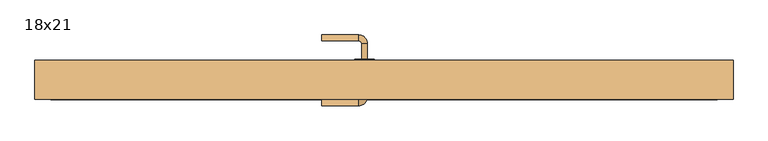
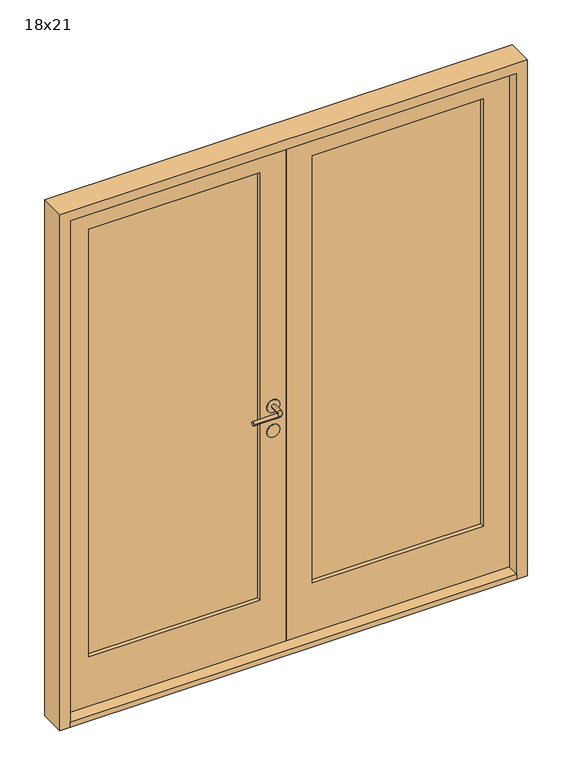
"""IFC4 building model written with IfcOpenShell, lengths in millimetres: door geometry, 18x21."""

from ifc_helpers import new_model, si_unit, point, frame, frame_2d, origin, place, context, project, spatial, polyline, circle_curve, ellipse_curve, trimmed, segment, composite_curve, outline, extrude, source, transform, mapped, element, save
from ifc_brep_helpers import plane_surface, cylinder_surface, revolved_surface, advanced_brep


def door_18x21_deda58a5(model_context):
    return source(origin(), model_context, "Body", "SolidModel", [
        extrude(outline(polyline([(30.0, 855.0), (2060.0, 855.0), (2060.0, 0.0), (30.0, 0.0), (30.0, 855.0)]), holes=[polyline([(230.0, 100.0), (1960.0, 100.0), (1960.0, 755.0), (230.0, 755.0), (230.0, 100.0)])]), frame((0.0, 4.5, 0.0), z_axis=(0.0, 1.0, 0.0), x_axis=(0.0, 0.0, 1.0)), (0.0, 0.0, 1.0), 50.0),
        extrude(outline(polyline([(855.0, 37.8333333), (855.0, 21.1666667), (100.0, 21.1666667), (100.0, 37.8333333), (855.0, 37.8333333)])), frame((0.0, 0.0, 230.0), z_axis=(0.0, 0.0, 1.0), x_axis=(1.0, 0.0, 0.0)), (0.0, 0.0, 1.0), 1730.0),
        extrude(outline(polyline([(-755.0, 37.8333333), (-100.0, 37.8333333), (-100.0, 21.1666667), (-755.0, 21.1666667), (-755.0, 37.8333333)])), frame((0.0, 0.0, 230.0), z_axis=(0.0, 0.0, 1.0), x_axis=(1.0, 0.0, 0.0)), (0.0, 0.0, 1.0), 1730.0),
        extrude(outline(polyline([(2060.0, -855.0), (30.0, -855.0), (30.0, 0.0), (2060.0, 0.0), (2060.0, -855.0)]), holes=[polyline([(1960.0, -100.0), (230.0, -100.0), (230.0, -755.0), (1960.0, -755.0), (1960.0, -100.0)])]), frame((0.0, 4.5, 0.0), z_axis=(0.0, 1.0, 0.0), x_axis=(0.0, 0.0, 1.0)), (0.0, 0.0, 1.0), 50.0),
        advanced_brep(
        [(-57.5, 1.5, 1000.0), (-42.5, 1.5, 1000.0), (-57.5, -38.5, 1000.0), (-42.5, -38.5, 1000.0), (-65.0, -61.0, 1000.0), (-65.0, -46.0, 1000.0), (-160.0, -46.0, 1000.0), (-160.0, -61.0, 1000.0)],
        [
            (0, 1, circle_curve(frame((-50.0, 1.5, 1000.0), z_axis=(0.0, 1.0, 0.0), x_axis=(1.0, 0.0, 0.0)), 7.5)),
            (1, 0, circle_curve(frame((-50.0, 1.5, 1000.0), z_axis=(0.0, 1.0, 0.0), x_axis=(1.0, 0.0, 0.0)), 7.5)),
            (0, 2),
            (2, 3, circle_curve(frame((-50.0, -38.5, 1000.0), z_axis=(0.0, 1.0, 0.0), x_axis=(1.0, 0.0, 0.0)), 7.5)),
            (3, 1),
            (3, 2, circle_curve(frame((-50.0, -38.5, 1000.0), z_axis=(0.0, 1.0, 0.0), x_axis=(1.0, 0.0, 0.0)), 7.5)),
            (4, 3, circle_curve(frame((-65.0, -38.5, 1000.0), z_axis=(0.0, 0.0, 1.0), x_axis=(1.0, 0.0, 0.0)), 22.5)),
            (2, 5, circle_curve(frame((-65.0, -38.5, 1000.0), z_axis=(0.0, 0.0, -1.0), x_axis=(1.0, 0.0, 0.0)), 7.5)),
            (5, 4, circle_curve(frame((-65.0, -53.5, 1000.0), z_axis=(1.0, 0.0, 0.0), x_axis=(0.0, -1.0, 0.0)), 7.5)),
            (4, 5, circle_curve(frame((-65.0, -53.5, 1000.0), z_axis=(1.0, 0.0, 0.0), x_axis=(0.0, -1.0, 0.0)), 7.5)),
            (6, 7, circle_curve(frame((-160.0, -53.5, 1000.0), z_axis=(-1.0, 0.0, 0.0), x_axis=(0.0, -1.0, 0.0)), 7.5)),
            (7, 6, circle_curve(frame((-160.0, -53.5, 1000.0), z_axis=(-1.0, 0.0, 0.0), x_axis=(0.0, -1.0, 0.0)), 7.5)),
            (5, 6),
            (7, 4),
        ],
        [
            plane_surface(frame((-50.0, 1.5, 1000.0), z_axis=(0.0, 1.0, 0.0), x_axis=(0.0, 0.0, 1.0))),
            cylinder_surface(frame((-50.0, 1.5, 1000.0), z_axis=(0.0, 1.0, 0.0), x_axis=(1.0, 0.0, 0.0)), 7.5),
            revolved_surface(trimmed(ellipse_curve(frame((-50.0, -38.5, 1000.0), z_axis=(0.0, 1.0, 0.0), x_axis=(1.0, 0.0, 0.0)), 7.5, 7.5), [point((-57.5, -38.5, 1000.0))], [point((-42.5, -38.5, 1000.0))], True, "CARTESIAN"), (-65.0, -38.5, 1000.0), (0.0, 0.0, -1.0)),
            revolved_surface(trimmed(ellipse_curve(frame((-50.0, -38.5, 1000.0), z_axis=(0.0, 1.0, 0.0), x_axis=(1.0, 0.0, 0.0)), 7.5, 7.5), [point((-42.5, -38.5, 1000.0))], [point((-57.5, -38.5, 1000.0))], True, "CARTESIAN"), (-65.0, -38.5, 1000.0), (0.0, 0.0, -1.0)),
            plane_surface(frame((-160.0, -53.5, 1000.0), z_axis=(-1.0, 0.0, 0.0), x_axis=(0.0, 0.0, 1.0))),
            cylinder_surface(frame((-65.0, -53.5, 1000.0), z_axis=(1.0, 0.0, 0.0), x_axis=(0.0, -1.0, 0.0)), 7.5),
        ],
        [
            (0, [[1, 2]]),
            (1, [[-1, 3, 4, 5]]),
            (1, [[-2, -5, 6, -3]]),
            (2, [[7, -4, 8, 9]]),
            (3, [[-8, -6, -7, 10]]),
            (4, [[11, 12]]),
            (5, [[-9, 13, -12, 14]]),
            (5, [[-10, -14, -11, -13]]),
        ],
    ),
        advanced_brep(
        [(-42.5, 57.5, 1000.0), (-57.5, 57.5, 1000.0), (-42.5, 97.5, 1000.0), (-57.5, 97.5, 1000.0), (-65.0, 105.0, 1000.0), (-65.0, 120.0, 1000.0), (-160.0, 120.0, 1000.0), (-160.0, 105.0, 1000.0)],
        [
            (0, 1, circle_curve(frame((-50.0, 57.5, 1000.0), z_axis=(0.0, -1.0, 0.0), x_axis=(-1.0, 0.0, 0.0)), 7.5)),
            (1, 0, circle_curve(frame((-50.0, 57.5, 1000.0), z_axis=(0.0, -1.0, 0.0), x_axis=(-1.0, 0.0, 0.0)), 7.5)),
            (0, 2),
            (2, 3, circle_curve(frame((-50.0, 97.5, 1000.0), z_axis=(0.0, -1.0, 0.0), x_axis=(-1.0, 0.0, 0.0)), 7.5)),
            (3, 1),
            (3, 2, circle_curve(frame((-50.0, 97.5, 1000.0), z_axis=(0.0, -1.0, 0.0), x_axis=(-1.0, 0.0, 0.0)), 7.5)),
            (4, 3, circle_curve(frame((-65.0, 97.5, 1000.0), z_axis=(0.0, 0.0, -1.0), x_axis=(1.0, 0.0, 0.0)), 7.5)),
            (2, 5, circle_curve(frame((-65.0, 97.5, 1000.0), z_axis=(0.0, 0.0, 1.0), x_axis=(1.0, 0.0, 0.0)), 22.5)),
            (5, 4, circle_curve(frame((-65.0, 112.5, 1000.0), z_axis=(1.0, 0.0, 0.0), x_axis=(0.0, -1.0, 0.0)), 7.5)),
            (4, 5, circle_curve(frame((-65.0, 112.5, 1000.0), z_axis=(1.0, 0.0, 0.0), x_axis=(0.0, -1.0, 0.0)), 7.5)),
            (6, 7, circle_curve(frame((-160.0, 112.5, 1000.0), z_axis=(-1.0, 0.0, 0.0), x_axis=(0.0, -1.0, 0.0)), 7.5)),
            (7, 6, circle_curve(frame((-160.0, 112.5, 1000.0), z_axis=(-1.0, 0.0, 0.0), x_axis=(0.0, -1.0, 0.0)), 7.5)),
            (5, 6),
            (7, 4),
        ],
        [
            plane_surface(frame((-50.0, 57.5, 1000.0), z_axis=(0.0, -1.0, 0.0), x_axis=(0.0, 0.0, 1.0))),
            cylinder_surface(frame((-50.0, 57.5, 1000.0), z_axis=(0.0, -1.0, 0.0), x_axis=(-1.0, 0.0, 0.0)), 7.5),
            revolved_surface(trimmed(ellipse_curve(frame((-50.0, 97.5, 1000.0), z_axis=(0.0, -1.0, 0.0), x_axis=(-1.0, 0.0, 0.0)), 7.5, 7.5), [point((-42.5, 97.5, 1000.0))], [point((-57.5, 97.5, 1000.0))], True, "CARTESIAN"), (-65.0, 97.5, 1000.0), (0.0, 0.0, 1.0)),
            revolved_surface(trimmed(ellipse_curve(frame((-50.0, 97.5, 1000.0), z_axis=(0.0, -1.0, 0.0), x_axis=(-1.0, 0.0, 0.0)), 7.5, 7.5), [point((-57.5, 97.5, 1000.0))], [point((-42.5, 97.5, 1000.0))], True, "CARTESIAN"), (-65.0, 97.5, 1000.0), (0.0, 0.0, 1.0)),
            plane_surface(frame((-160.0, 112.5, 1000.0), z_axis=(-1.0, 0.0, 0.0), x_axis=(0.0, 0.0, 1.0))),
            cylinder_surface(frame((-65.0, 112.5, 1000.0), z_axis=(1.0, 0.0, 0.0), x_axis=(0.0, -1.0, 0.0)), 7.5),
        ],
        [
            (0, [[1, 2]]),
            (1, [[-1, 3, 4, 5]]),
            (1, [[-2, -5, 6, -3]]),
            (2, [[7, -4, 8, 9]]),
            (3, [[-8, -6, -7, 10]]),
            (4, [[11, 12]]),
            (5, [[-9, 13, -12, 14]]),
            (5, [[-10, -14, -11, -13]]),
        ],
    ),
        extrude(outline(composite_curve([segment(trimmed(circle_curve(frame_2d((900.0, -50.029073)), 25.0), [point((900.0, -75.029073))], [point((900.0, -25.029073))], False, "CARTESIAN"), True, "CONTINUOUS"), segment(trimmed(circle_curve(frame_2d((900.0, -50.029073)), 25.0), [point((900.0, -25.029073))], [point((900.0, -75.029073))], False, "CARTESIAN"), True, "CONTINUOUS")], self_intersect=False)), frame((0.0, 1.5, 0.0), z_axis=(0.0, 1.0, 0.0), x_axis=(0.0, 0.0, 1.0)), (0.0, 0.0, 1.0), 3.0),
        extrude(outline(composite_curve([segment(trimmed(circle_curve(frame_2d((1000.0, -50.029073)), 25.0), [point((1000.0, -75.029073))], [point((1000.0, -25.029073))], False, "CARTESIAN"), True, "CONTINUOUS"), segment(trimmed(circle_curve(frame_2d((1000.0, -50.029073)), 25.0), [point((1000.0, -25.029073))], [point((1000.0, -75.029073))], False, "CARTESIAN"), True, "CONTINUOUS")], self_intersect=False)), frame((0.0, 1.5, 0.0), z_axis=(0.0, 1.0, 0.0), x_axis=(0.0, 0.0, 1.0)), (0.0, 0.0, 1.0), 3.0),
        extrude(outline(composite_curve([segment(trimmed(circle_curve(frame_2d((900.0, -50.029073)), 25.0), [point((900.0, -75.029073))], [point((900.0, -25.029073))], False, "CARTESIAN"), True, "CONTINUOUS"), segment(trimmed(circle_curve(frame_2d((900.0, -50.029073)), 25.0), [point((900.0, -25.029073))], [point((900.0, -75.029073))], False, "CARTESIAN"), True, "CONTINUOUS")], self_intersect=False)), frame((0.0, 54.5, 0.0), z_axis=(0.0, 1.0, 0.0), x_axis=(0.0, 0.0, 1.0)), (0.0, 0.0, 1.0), 3.0),
        extrude(outline(composite_curve([segment(trimmed(circle_curve(frame_2d((1000.0, -50.029073)), 25.0), [point((1000.0, -75.029073))], [point((1000.0, -25.029073))], False, "CARTESIAN"), True, "CONTINUOUS"), segment(trimmed(circle_curve(frame_2d((1000.0, -50.029073)), 25.0), [point((1000.0, -25.029073))], [point((1000.0, -75.029073))], False, "CARTESIAN"), True, "CONTINUOUS")], self_intersect=False)), frame((0.0, 54.5, 0.0), z_axis=(0.0, 1.0, 0.0), x_axis=(0.0, 0.0, 1.0)), (0.0, 0.0, 1.0), 3.0),
        extrude(outline(polyline([(-855.0, -45.5), (-855.0, 54.5), (855.0, 54.5), (855.0, -45.5), (-855.0, -45.5)])), frame((0.0, 0.0, 10.0), z_axis=(0.0, 0.0, 1.0), x_axis=(1.0, 0.0, 0.0)), (0.0, 0.0, 1.0), 20.0),
        extrude(outline(polyline([(10.0, 855.0), (10.0, 895.0), (2100.0, 895.0), (2100.0, -895.0), (10.0, -895.0), (10.0, -855.0), (2060.0, -855.0), (2060.0, 855.0), (10.0, 855.0)])), frame((0.0, -45.5, 0.0), z_axis=(0.0, 1.0, 0.0), x_axis=(0.0, 0.0, 1.0)), (0.0, 0.0, 1.0), 100.0),
    ])


if __name__ == "__main__":
    model = new_model("IFC4")
    model_context = context("Model", 3, world=origin())
    ifc_project = project(units=[si_unit("LENGTHUNIT", "METRE", prefix="MILLI")], contexts=[model_context])
    site = spatial("IfcSite", under=ifc_project)
    building = spatial("IfcBuilding", under=site)
    placement = place(None, origin())
    door_18x21_shape = door_18x21_deda58a5(model_context)
    element("IfcDoor", 1, ObjectType="18x21", at=placement, inside=building, context=model_context, shape_type="MappedRepresentation", body=[
        mapped(door_18x21_shape, transform((0.0, 0.0, 0.0), x_axis=(1.0, 0.0, 0.0), y_axis=(0.0, 1.0, 0.0), z_axis=(0.0, 0.0, 1.0))),
    ])
    save(model, "model.ifc")
